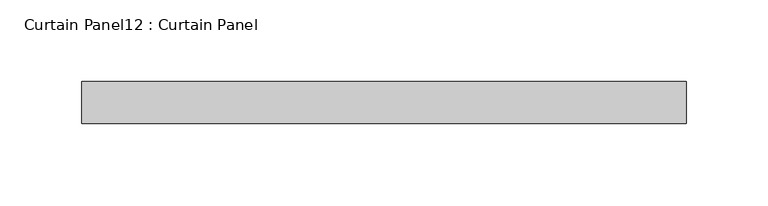
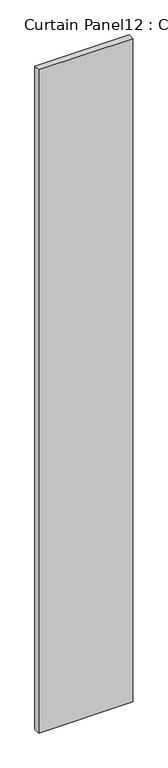
"""IFC4 building model written with IfcOpenShell, lengths in millimetres: plate geometry, Curtain Panel12 : Curtain Panel."""

from ifc_helpers import new_model, si_unit, frame, origin, place, context, project, spatial, polyline, outline, extrude, source, transform, mapped, element, save


def curtain_panel12_curtain_panel_d2501bcb(model_context):
    return source(origin(), model_context, "Body", "SweptSolid", [
        extrude(outline(polyline([(-8263.4674708, 1926.2823351), (-7895.1674708, 1926.2823351), (-7895.1674708, 1900.8823351), (-8263.4674708, 1900.8823351), (-8263.4674708, 1926.2823351)])), frame((0.0, 0.0, -680.0975461), z_axis=(0.0, 0.0, 1.0), x_axis=(1.0, 0.0, 0.0)), (0.0, 0.0, 1.0), 2743.2),
    ])


if __name__ == "__main__":
    model = new_model("IFC4")
    model_context = context("Model", 3, world=origin())
    ifc_project = project(units=[si_unit("LENGTHUNIT", "METRE", prefix="MILLI")], contexts=[model_context])
    site = spatial("IfcSite", under=ifc_project)
    building = spatial("IfcBuilding", under=site)
    placement = place(None, origin())
    curtain_panel12_curtain_panel_shape = curtain_panel12_curtain_panel_d2501bcb(model_context)
    element("IfcPlate", 1, ObjectType="Curtain Panel12 : Curtain Panel", at=placement, inside=building, context=model_context, shape_type="MappedRepresentation", body=[
        mapped(curtain_panel12_curtain_panel_shape, transform((0.0, 0.0, 0.0), x_axis=(1.0, 0.0, 0.0), y_axis=(0.0, 1.0, 0.0), z_axis=(0.0, 0.0, 1.0))),
    ])
    save(model, "model.ifc")
